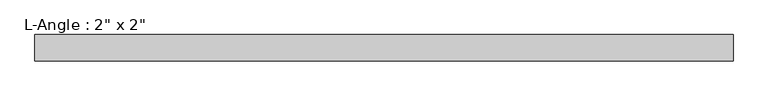
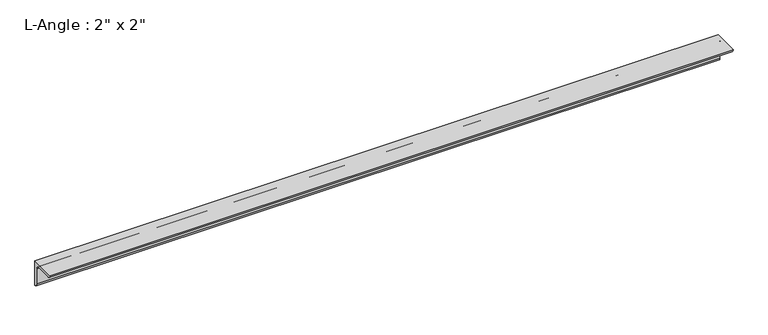
"""IFC4 building model written with IfcOpenShell, lengths in millimetres: beam geometry."""

import ifcopenshell
import ifcopenshell.guid

model = None  # the IFC model being written
_history = None  # IfcOwnerHistory: only IFC2X3 demands one
_inside = {}  # id of a spatial element -> (the spatial element, [elements in it])
_under = {}  # id of a project, library or spatial element -> (it, [spatial elements below it])
_declared = {}  # id of a project -> (the project, [libraries it declares])
_typed = {}  # id of a type object -> (the type object, [elements of that type])
_made_of = {}  # id of a material, layer set ... -> (it, [elements and type objects made of it])


def new_model(schema):
    """Start an empty IFC model of exactly this schema.

    Asked for "IFC4X3", IfcOpenShell would pick the latest addendum, in which some entities
    have other attributes; the version numbers below select the first issue.
    IFC2X3 requires an IfcOwnerHistory on every rooted entity: one is made here for all.
    """
    global model, _history
    if schema == "IFC4X3":
        model = ifcopenshell.file(schema_version=(4, 3, 0, 0))
    else:
        model = ifcopenshell.file(schema=schema)
    _inside.clear()
    _under.clear()
    _declared.clear()
    _typed.clear()
    _made_of.clear()
    _history = None
    if model.schema == "IFC2X3":
        org = make("IfcOrganization", Name="unknown")
        user = make(
            "IfcPersonAndOrganization",
            ThePerson=make("IfcPerson", FamilyName="unknown"),
            TheOrganization=org,
        )
        app = make(
            "IfcApplication",
            ApplicationDeveloper=org,
            Version="unknown",
            ApplicationFullName="unknown",
            ApplicationIdentifier="unknown",
        )
        _history = make(
            "IfcOwnerHistory",
            OwningUser=user,
            OwningApplication=app,
            ChangeAction="ADDED",
            CreationDate=0,
        )
    return model


def make(cls, **values):
    """One entity of the class cls with the attributes given. An attribute that is None is left unset."""
    return model.create_entity(
        cls, **{name: value for name, value in values.items() if value is not None}
    )


def rooted(cls, **values):
    """An entity with a GlobalId (a new one), such as an element, a storey or a relation."""
    return make(cls, GlobalId=ifcopenshell.guid.new(), OwnerHistory=_history, **values)


def si_unit(unit_type, name, prefix=None):
    """IfcSIUnit, for example si_unit("LENGTHUNIT", "METRE", prefix="MILLI")."""
    return make("IfcSIUnit", UnitType=unit_type, Prefix=prefix, Name=name)


def assignment(units):
    """IfcUnitAssignment: the units of a project."""
    return None if units is None else make("IfcUnitAssignment", Units=units)


def point(xyz):
    """IfcCartesianPoint."""
    return None if xyz is None else make("IfcCartesianPoint", Coordinates=xyz)


def direction(xyz):
    """IfcDirection."""
    return None if xyz is None else make("IfcDirection", DirectionRatios=xyz)


def frame(location, z_axis=None, x_axis=None):
    """IfcAxis2Placement3D, a coordinate frame: its origin and axes. An axis left out is left unset."""
    return make(
        "IfcAxis2Placement3D",
        Location=point(location),
        Axis=direction(z_axis),
        RefDirection=direction(x_axis),
    )


def frame_2d(location, x_axis=None):
    """IfcAxis2Placement2D, a coordinate frame in the plane: its origin and x axis."""
    return make(
        "IfcAxis2Placement2D", Location=point(location), RefDirection=direction(x_axis)
    )


def origin():
    """The frame at (0, 0, 0) with its axes left unset."""
    return frame((0.0, 0.0, 0.0))


def place(relative_to, where):
    """IfcLocalPlacement: puts the frame where relative to a parent placement (None: the world)."""
    return make(
        "IfcLocalPlacement", PlacementRelTo=relative_to, RelativePlacement=where
    )


def context(
    kind, dimensions, precision=None, world=None, true_north=None, identifier=None
):
    """IfcGeometricRepresentationContext, for example the 3D "Model" context."""
    return make(
        "IfcGeometricRepresentationContext",
        ContextIdentifier=identifier,
        ContextType=kind,
        CoordinateSpaceDimension=dimensions,
        Precision=precision,
        WorldCoordinateSystem=world,
        TrueNorth=true_north,
    )


def project(units=None, contexts=None):
    """IfcProject with its units and contexts."""
    return rooted(
        "IfcProject",
        Name="project",
        RepresentationContexts=contexts,
        UnitsInContext=assignment(units),
    )


def spatial(cls, under=None, at=None, **own):
    """A site, building, storey or space (cls), placed at a placement, below another one or the project."""
    s = rooted(cls, ObjectPlacement=at, **own)
    if under is not None:
        _under.setdefault(under.id(), (under, []))[1].append(s)
    return s


def polyline(points):
    """IfcPolyline through the points."""
    return make("IfcPolyline", Points=[point(p) for p in points])


def circle_curve(where, radius):
    """IfcCircle in the frame where."""
    return make("IfcCircle", Position=where, Radius=radius)


def trimmed(basis, trim1, trim2, sense, master):
    """IfcTrimmedCurve: the piece of a basis curve between two trims."""
    return make(
        "IfcTrimmedCurve",
        BasisCurve=basis,
        Trim1=trim1,
        Trim2=trim2,
        SenseAgreement=sense,
        MasterRepresentation=master,
    )


def segment(curve, same_sense, transition):
    """IfcCompositeCurveSegment."""
    return make(
        "IfcCompositeCurveSegment",
        Transition=transition,
        SameSense=same_sense,
        ParentCurve=curve,
    )


def composite_curve(segments, self_intersect=None):
    """IfcCompositeCurve: segments joined end to end."""
    return make("IfcCompositeCurve", Segments=segments, SelfIntersect=self_intersect)


def outline(outer, holes=None, kind="AREA"):
    """IfcArbitraryClosedProfileDef: a profile drawn as a closed curve; with holes, ...WithVoids."""
    if holes is None:
        return make("IfcArbitraryClosedProfileDef", ProfileType=kind, OuterCurve=outer)
    return make(
        "IfcArbitraryProfileDefWithVoids",
        ProfileType=kind,
        OuterCurve=outer,
        InnerCurves=holes,
    )


def extrude(swept, where, along, depth):
    """IfcExtrudedAreaSolid: the profile swept, set in the frame where, extruded along a direction by depth."""
    return make(
        "IfcExtrudedAreaSolid",
        SweptArea=swept,
        Position=where,
        ExtrudedDirection=direction(along),
        Depth=depth,
    )


def shape(context_of_items, identifier, shape_type, items):
    """IfcShapeRepresentation: the items that make up one representation, for example the "Body"."""
    return make(
        "IfcShapeRepresentation",
        ContextOfItems=context_of_items,
        RepresentationIdentifier=identifier,
        RepresentationType=shape_type,
        Items=items,
    )


def source(mapping_origin, context_of_items, identifier, shape_type, items):
    """IfcRepresentationMap: a shape defined once, which mapped items show again and again."""
    return make(
        "IfcRepresentationMap",
        MappingOrigin=mapping_origin,
        MappedRepresentation=shape(context_of_items, identifier, shape_type, items),
    )


def transform(
    local_origin,
    x_axis=None,
    y_axis=None,
    z_axis=None,
    scale=None,
    scale2=None,
    scale3=None,
    uniform=True,
):
    """IfcCartesianTransformationOperator3D, or its non-uniform kind. x_axis, y_axis, z_axis: its Axis1, 2, 3."""
    if uniform:
        return make(
            "IfcCartesianTransformationOperator3D",
            Axis1=direction(x_axis),
            Axis2=direction(y_axis),
            LocalOrigin=point(local_origin),
            Scale=scale,
            Axis3=direction(z_axis),
        )
    return make(
        "IfcCartesianTransformationOperator3DnonUniform",
        Axis1=direction(x_axis),
        Axis2=direction(y_axis),
        LocalOrigin=point(local_origin),
        Scale=scale,
        Axis3=direction(z_axis),
        Scale2=scale2,
        Scale3=scale3,
    )


def mapped(mapping_source, mapping_target):
    """IfcMappedItem: shows the shape of a source again, moved by a transform."""
    return make(
        "IfcMappedItem", MappingSource=mapping_source, MappingTarget=mapping_target
    )


def made_of(thing, what):
    """Note that an element or type object is made of a material, layer set ...; save() writes the relation."""
    if what is not None:
        _made_of.setdefault(what.id(), (what, []))[1].append(thing)
    return thing


def element(
    cls,
    number,
    at=None,
    inside=None,
    cuts=None,
    type_object=None,
    material=None,
    context=None,
    identifier="Body",
    shape_type=None,
    held_by="IfcProductDefinitionShape",
    body=None,
    shapes=None,
    **own,
):
    """One element of the class cls, such as IfcWall. Its Tag is "e" and its number.

    at: its placement. inside: the storey or other place that contains it. cuts: it is an
    opening in that element (IfcRelVoidsElement). A single representation is given by context,
    identifier, shape_type and body (its items); several are given by shapes. held_by: the class
    of the entity that holds the representations. save() writes the other relations.
    """
    e = rooted(cls, Tag="e%d" % number, ObjectPlacement=at, **own)
    if body is not None:
        shapes = [shape(context, identifier, shape_type, body)]
    if shapes is not None:
        e.Representation = make(held_by, Representations=shapes)
    if inside is not None:
        _inside.setdefault(inside.id(), (inside, []))[1].append(e)
    if cuts is not None:
        rooted(
            "IfcRelVoidsElement", RelatingBuildingElement=cuts, RelatedOpeningElement=e
        )
    if type_object is not None:
        _typed.setdefault(type_object.id(), (type_object, []))[1].append(e)
    return made_of(e, material)


def aggregate(whole, parts):
    """IfcRelAggregates: a whole, such as a stair, and the parts it consists of."""
    return rooted("IfcRelAggregates", RelatingObject=whole, RelatedObjects=parts)


def save(model, path):
    """Write the relations noted so far, then the file.

    IfcRelAggregates (storeys below a building ...), IfcRelContainedInSpatialStructure (elements
    in a storey), IfcRelDefinesByType, IfcRelAssociatesMaterial and IfcRelDeclares: one each for
    every whole, place, type object, material and project.
    """
    for whole, parts in _under.values():
        aggregate(whole, parts)
    for where, things in _inside.values():
        rooted(
            "IfcRelContainedInSpatialStructure",
            RelatedElements=things,
            RelatingStructure=where,
        )
    for kind, things in _typed.values():
        rooted("IfcRelDefinesByType", RelatedObjects=things, RelatingType=kind)
    for what, things in _made_of.values():
        rooted("IfcRelAssociatesMaterial", RelatedObjects=things, RelatingMaterial=what)
    for by, libraries in _declared.values():
        rooted("IfcRelDeclares", RelatingContext=by, RelatedDefinitions=libraries)
    model.write(path)


def beam_eda9ba6b(model_context):
    return source(origin(), model_context, "Body", "SweptSolid", [
        extrude(outline(composite_curve([segment(polyline([(0.0, 0.0), (0.0, -50.8)]), True, "CONTINUOUS"), segment(trimmed(circle_curve(frame_2d((0.0, -44.45)), 6.35), [point((0.0, -50.8))], [point((-6.35, -44.45))], False, "CARTESIAN"), True, "CONTINUOUS"), segment(polyline([(-6.35, -44.45), (-6.35, -12.7)]), True, "CONTINUOUS"), segment(trimmed(circle_curve(frame_2d((-12.7, -12.7)), 6.35), [point((-6.35, -12.7))], [point((-12.7, -6.35))], True, "CARTESIAN"), True, "CONTINUOUS"), segment(polyline([(-12.7, -6.35), (-44.45, -6.35)]), True, "CONTINUOUS"), segment(trimmed(circle_curve(frame_2d((-44.45, 0.0)), 6.35), [point((-44.45, -6.35))], [point((-50.8, 0.0))], False, "CARTESIAN"), True, "CONTINUOUS"), segment(polyline([(-50.8, 0.0), (0.0, 0.0)]), True, "CONTINUOUS")], self_intersect=False)), frame((-669.337327, 0.0, 0.0), z_axis=(1.0, 0.0, 0.0), x_axis=(0.0, 1.0, 0.0)), (0.0, 0.0, 1.0), 1338.6746541),
    ])


if __name__ == "__main__":
    model = new_model("IFC4")
    model_context = context("Model", 3, world=origin())
    ifc_project = project(units=[si_unit("LENGTHUNIT", "METRE", prefix="MILLI")], contexts=[model_context])
    site = spatial("IfcSite", under=ifc_project)
    building = spatial("IfcBuilding", under=site)
    placement = place(None, origin())
    beam_shape = beam_eda9ba6b(model_context)
    element("IfcBeam", 1, ObjectType="L-Angle : 2\" x 2\"", at=placement, inside=building, context=model_context, shape_type="MappedRepresentation", body=[
        mapped(beam_shape, transform((0.0, 0.0, 0.0), x_axis=(1.0, 0.0, 0.0), y_axis=(0.0, 1.0, 0.0), z_axis=(0.0, 0.0, 1.0))),
    ])
    save(model, "model.ifc")
